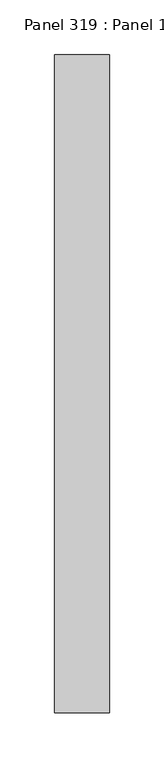
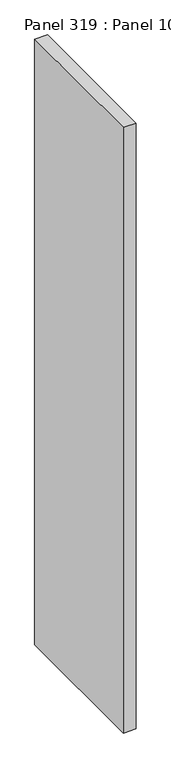
"""IFC4 building model written with IfcOpenShell, lengths in millimetres: proxy geometry, Panel 319 : Panel 1010."""

from ifc_helpers import new_model, si_unit, frame, origin, place, context, project, spatial, polyline, outline, extrude, source, transform, mapped, element, save


def panel_319_panel_1010_36b27ded(model_context):
    return source(origin(), model_context, "Body", "SweptSolid", [
        extrude(outline(polyline([(26317.4760994, 341005.7856562), (26367.4761415, 341005.7856566), (26367.4761199, 340405.7856611), (26317.4760778, 340405.7856607), (26317.4760994, 341005.7856562)])), frame((0.0, 0.0, 34575.0), z_axis=(0.0, 0.0, 1.0), x_axis=(1.0, 0.0, 0.0)), (0.0, 0.0, 1.0), 2500.0),
    ])


if __name__ == "__main__":
    model = new_model("IFC4")
    model_context = context("Model", 3, world=origin())
    ifc_project = project(units=[si_unit("LENGTHUNIT", "METRE", prefix="MILLI")], contexts=[model_context])
    site = spatial("IfcSite", under=ifc_project)
    building = spatial("IfcBuilding", under=site)
    placement = place(None, origin())
    panel_319_panel_1010_shape = panel_319_panel_1010_36b27ded(model_context)
    element("IfcBuildingElementProxy", 1, Name="Panel 319 : Panel 1010", ObjectType="Panel 319 : Panel 1010", at=placement, inside=building, context=model_context, shape_type="MappedRepresentation", body=[
        mapped(panel_319_panel_1010_shape, transform((0.0, 0.0, 0.0), x_axis=(1.0, 0.0, 0.0), y_axis=(0.0, 1.0, 0.0), z_axis=(0.0, 0.0, 1.0))),
    ])
    save(model, "model.ifc")
